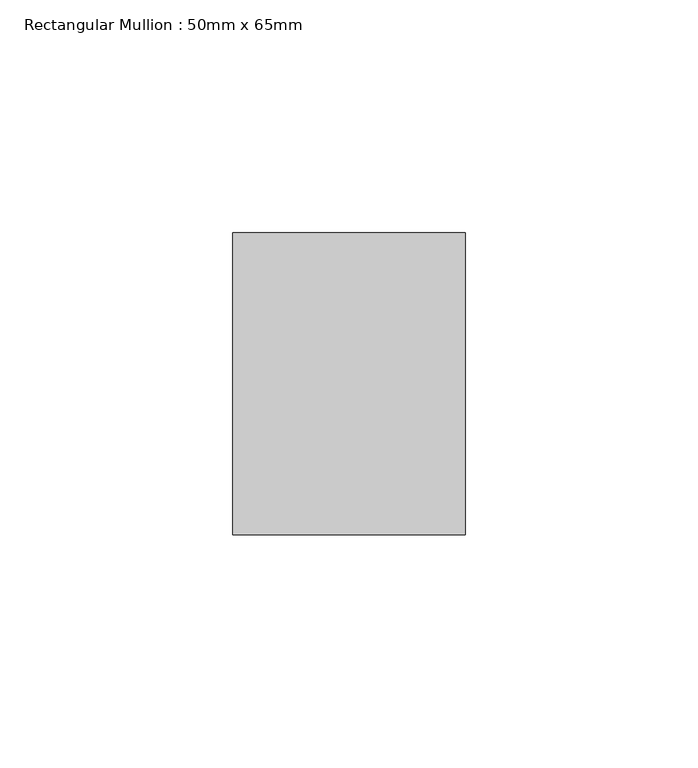
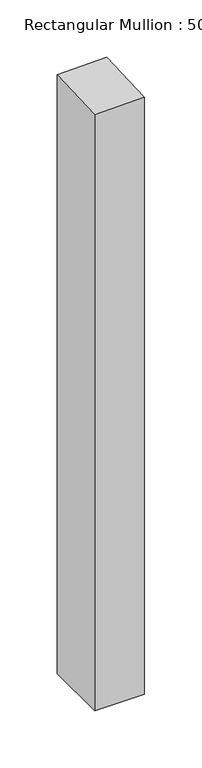
"""IFC4 building model written with IfcOpenShell, lengths in millimetres: member geometry, Rectangular Mullion : 50mm x 65mm."""

from ifc_helpers import new_model, si_unit, origin, place, context, project, spatial, faceted_brep, source, transform, mapped, element, save


def rectangular_mullion_50mm_x_65mm_eca0333b(model_context):
    return source(origin(), model_context, "Body", "Brep", [
        faceted_brep([(25.0, 32.5, -636.5579255), (25.0, -32.5, -636.5579255), (-25.0, -32.5, -636.5579255), (-25.0, 32.5, -636.5579255), (-25.0, 32.5, 1.0384567), (25.0, 32.5, 2.1948165), (-25.0, -32.5, -2.1948165), (25.0, -32.5, -1.0384567)], [[[0, 1, 2, 3]], [[4, 5, 0, 3]], [[6, 4, 3, 2]], [[7, 6, 2, 1]], [[5, 7, 1, 0]], [[5, 4, 6, 7]]]),
    ])


if __name__ == "__main__":
    model = new_model("IFC4")
    model_context = context("Model", 3, world=origin())
    ifc_project = project(units=[si_unit("LENGTHUNIT", "METRE", prefix="MILLI")], contexts=[model_context])
    site = spatial("IfcSite", under=ifc_project)
    building = spatial("IfcBuilding", under=site)
    placement = place(None, origin())
    rectangular_mullion_50mm_x_65mm_shape = rectangular_mullion_50mm_x_65mm_eca0333b(model_context)
    element("IfcMember", 1, ObjectType="Rectangular Mullion : 50mm x 65mm", at=placement, inside=building, context=model_context, shape_type="MappedRepresentation", body=[
        mapped(rectangular_mullion_50mm_x_65mm_shape, transform((0.0, 0.0, 0.0), x_axis=(1.0, 0.0, 0.0), y_axis=(0.0, 1.0, 0.0), z_axis=(0.0, 0.0, 1.0))),
    ])
    save(model, "model.ifc")
